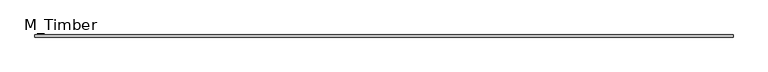
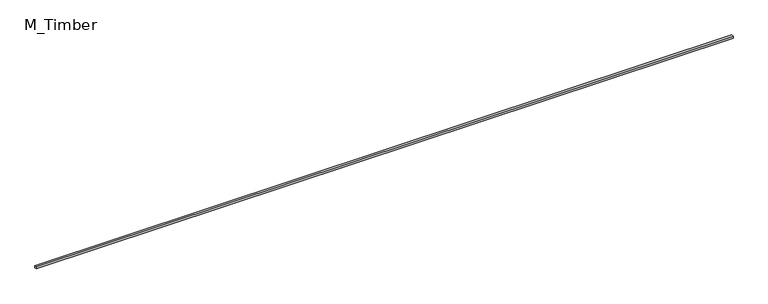
"""IFC4 building model written with IfcOpenShell, lengths in millimetres: beam geometry, M_Timber."""

from ifc_helpers import new_model, si_unit, frame, origin, place, context, project, spatial, polyline, outline, extrude, source, transform, mapped, element, save


def m_timber_8eefbcce(model_context):
    return source(origin(), model_context, "Body", "SweptSolid", [
        extrude(outline(polyline([(6572.5236788, 20.0), (6572.5236788, -20.0), (-6572.5236788, -20.0), (-6572.5236788, 20.0), (6572.5236788, 20.0)])), frame((0.0, 0.0, -20.0), z_axis=(0.0, 0.0, 1.0), x_axis=(1.0, 0.0, 0.0)), (0.0, 0.0, 1.0), 40.0),
    ])


if __name__ == "__main__":
    model = new_model("IFC4")
    model_context = context("Model", 3, world=origin())
    ifc_project = project(units=[si_unit("LENGTHUNIT", "METRE", prefix="MILLI")], contexts=[model_context])
    site = spatial("IfcSite", under=ifc_project)
    building = spatial("IfcBuilding", under=site)
    placement = place(None, origin())
    m_timber_shape = m_timber_8eefbcce(model_context)
    element("IfcBeam", 1, ObjectType="M_Timber", at=placement, inside=building, context=model_context, shape_type="MappedRepresentation", body=[
        mapped(m_timber_shape, transform((0.0, 0.0, 0.0), x_axis=(1.0, 0.0, 0.0), y_axis=(0.0, 1.0, 0.0), z_axis=(0.0, 0.0, 1.0))),
    ])
    save(model, "model.ifc")
